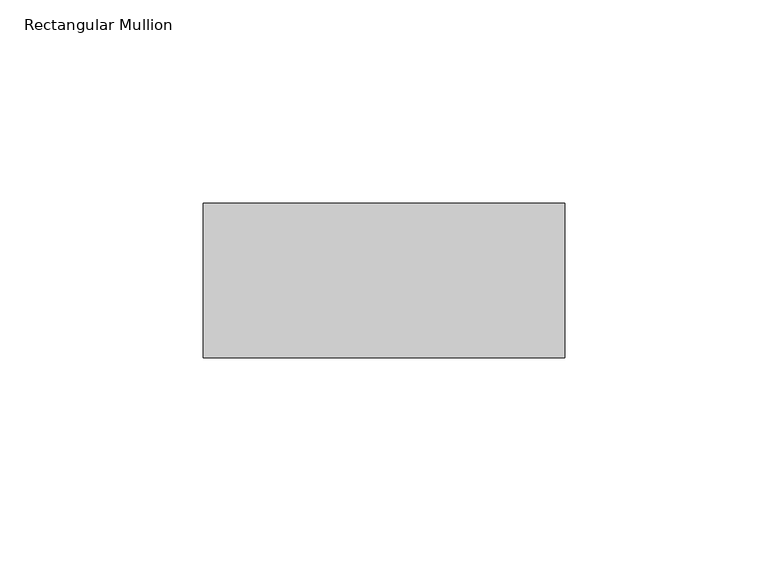
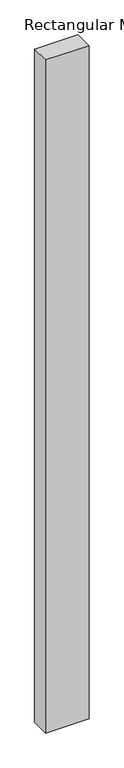
"""IFC4 building model written with IfcOpenShell, lengths in millimetres: member geometry, Rectangular Mullion."""

from ifc_helpers import new_model, si_unit, frame, origin, place, context, project, spatial, polyline, outline, extrude, source, transform, mapped, element, save


def rectangular_mullion_44d6dac6(model_context):
    return source(origin(), model_context, "Body", "SweptSolid", [
        extrude(outline(polyline([(0.0, 58.0), (0.0, 20.0), (-89.0, 20.0), (-89.0, 58.0), (0.0, 58.0)])), frame((0.0, 0.0, -1457.0), z_axis=(0.0, 0.0, 1.0), x_axis=(1.0, 0.0, 0.0)), (0.0, 0.0, 1.0), 1457.0),
    ])


if __name__ == "__main__":
    model = new_model("IFC4")
    model_context = context("Model", 3, world=origin())
    ifc_project = project(units=[si_unit("LENGTHUNIT", "METRE", prefix="MILLI")], contexts=[model_context])
    site = spatial("IfcSite", under=ifc_project)
    building = spatial("IfcBuilding", under=site)
    placement = place(None, origin())
    rectangular_mullion_shape = rectangular_mullion_44d6dac6(model_context)
    element("IfcMember", 1, ObjectType="Rectangular Mullion", at=placement, inside=building, context=model_context, shape_type="MappedRepresentation", body=[
        mapped(rectangular_mullion_shape, transform((0.0, 0.0, 0.0), x_axis=(1.0, 0.0, 0.0), y_axis=(0.0, 1.0, 0.0), z_axis=(0.0, 0.0, 1.0))),
    ])
    save(model, "model.ifc")
